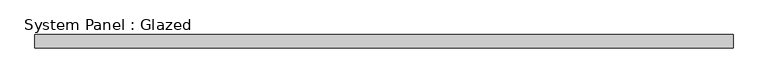
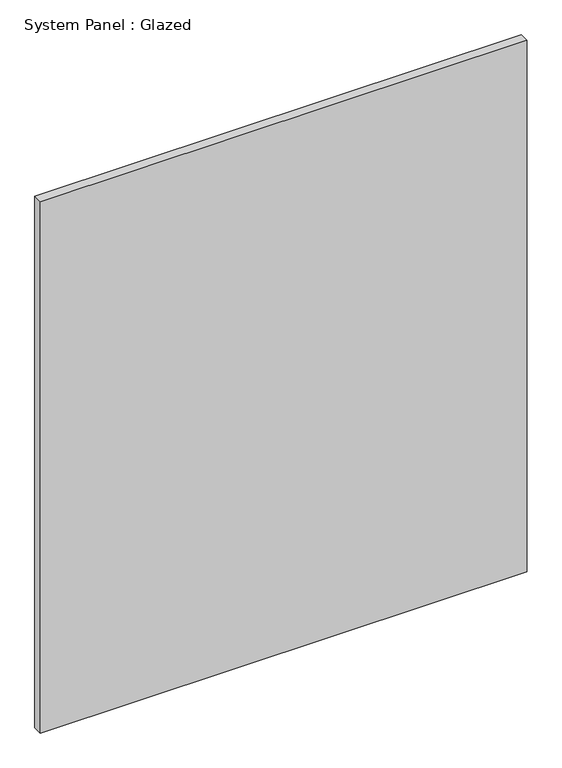
"""IFC4 building model written with IfcOpenShell, lengths in millimetres: plate geometry, System Panel : Glazed."""

from ifc_helpers import new_model, si_unit, origin, origin_with_axes, place, context, project, spatial, polyline, outline, extrude, source, transform, mapped, element, save


def system_panel_glazed_06767ac4(model_context):
    return source(origin(), model_context, "Body", "SweptSolid", [
        extrude(outline(polyline([(660.3999998, 19.05), (-660.3999998, 19.05), (-660.3999998, 44.45), (660.3999998, 44.45), (660.3999998, 19.05)])), origin_with_axes(), (0.0, 0.0, 1.0), 1524.0),
    ])


if __name__ == "__main__":
    model = new_model("IFC4")
    model_context = context("Model", 3, world=origin())
    ifc_project = project(units=[si_unit("LENGTHUNIT", "METRE", prefix="MILLI")], contexts=[model_context])
    site = spatial("IfcSite", under=ifc_project)
    building = spatial("IfcBuilding", under=site)
    placement = place(None, origin())
    system_panel_glazed_shape = system_panel_glazed_06767ac4(model_context)
    element("IfcPlate", 1, ObjectType="System Panel : Glazed", at=placement, inside=building, context=model_context, shape_type="MappedRepresentation", body=[
        mapped(system_panel_glazed_shape, transform((0.0, 0.0, 0.0), x_axis=(1.0, 0.0, 0.0), y_axis=(0.0, 1.0, 0.0), z_axis=(0.0, 0.0, 1.0))),
    ])
    save(model, "model.ifc")
